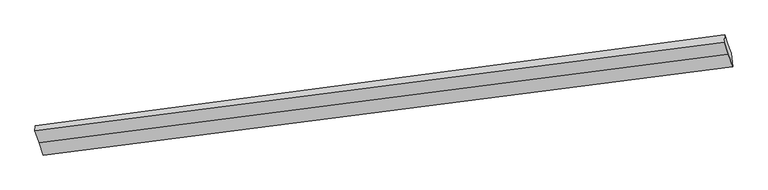
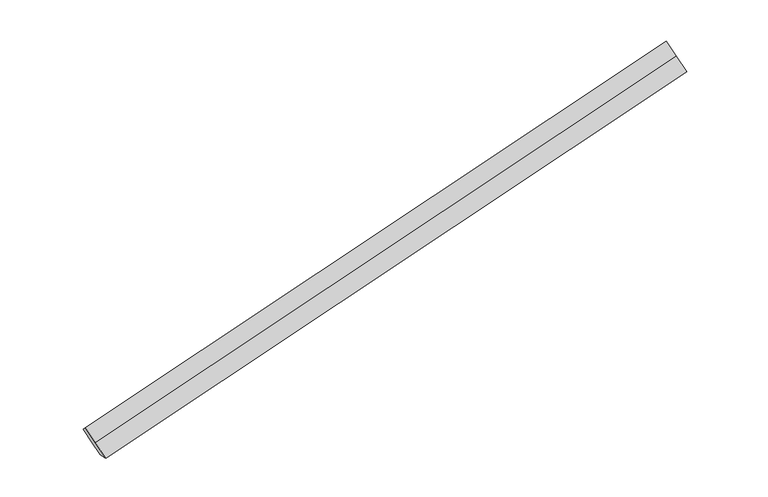
"""IFC4 building model written with IfcOpenShell, lengths in millimetres: proxy geometry."""

from ifc_helpers import new_model, si_unit, frame, origin, place, context, project, spatial, source, transform, mapped, element, save
from ifc_brep_helpers import plane_surface, spline_surface, advanced_brep


def generic_models_271a27ce(model_context):
    return source(origin(), model_context, "Body", "AdvancedBrep", [
        advanced_brep(
        [(-7472.8972487, -2153.8060966, 921.7112471), (-7416.3015261, -2317.7215473, 764.1221903), (1811.5167285, -1133.5976225, 2824.1893568), (1754.9210059, -969.6821717, 2981.7784136), (-7427.8578094, -2203.9627518, 747.8941283), (1792.5785738, -958.4721815, 2804.4077917), (-7475.824092, -2065.0403302, 881.4547736), (1749.7232807, -834.3524716, 2923.737043), (-7523.7903746, -1926.1179086, 1015.0154189), (1706.8679877, -710.2327616, 3043.0662944), (-7529.4929713, -1989.8906458, 1079.3003038), (1698.3252833, -805.766721, 3139.3674703)],
        [
            (0, 1),
            (1, 2),
            (2, 3),
            (3, 0),
            (1, 4),
            (4, 5),
            (5, 2),
            (4, 6),
            (6, 7),
            (7, 5),
            (6, 8),
            (8, 9),
            (9, 7),
            (8, 10),
            (10, 11),
            (11, 9),
            (10, 0),
            (3, 11),
        ],
        [
            plane_surface(frame((-7444.5993874, -2235.763822, 842.9167187), z_axis=(-0.067660601835311, -0.7035120535096488, 0.7074551812842429), x_axis=(0.24153220413507956, -0.6995380268893939, -0.6725390273443943))),
            spline_surface(1, 1, [[(-7416.3015261, -2317.7215473, 764.1221903), (1811.5167285, -1133.5976225, 2824.1893568)], [(-7427.8578094, -2203.9627518, 747.8941283), (1792.5785738, -958.4721815, 2804.4077917)]], [2, 2], [2, 2], [0.0, 1.0], [0.0, 1.0]),
            plane_surface(frame((-7451.8409507, -2134.501541, 814.6744509), z_axis=(0.06306928069406885, 0.7029096239155692, -0.7084774706648094), x_axis=(-0.2415322041349135, 0.6995380268894971, 0.6725390273443466))),
            plane_surface(frame((-7499.8072333, -1995.5791194, 948.2350962), z_axis=(0.06306928069404721, 0.7029096239156332, -0.708477470664748), x_axis=(-0.24153220413515697, 0.6995380268894014, 0.6725390273443588))),
            plane_surface(frame((-7526.641673, -1958.0042772, 1047.1578613), z_axis=(-0.24000753063137792, 0.6997400121541448, 0.6728746544719494), x_axis=(-0.06285201954060318, -0.7028807299501775, 0.7085254428066597))),
            plane_surface(frame((-7501.19511, -2071.8483712, 1000.5057754), z_axis=(-0.06766060183533561, -0.7035120535095769, 0.7074551812843117), x_axis=(0.2415322041351442, -0.6995380268894569, -0.6725390273443056))),
            plane_surface(frame((1752.3221433, -902.0173217, 2952.7577283), z_axis=(0.9683552127217062, 0.12886127579843334, 0.21373570968441188), x_axis=(-0.06285201954060318, -0.7028807299501775, 0.7085254428066597))),
            plane_surface(frame((-7474.3606704, -2109.4232134, 901.5830103), z_axis=(-0.9683552127217089, -0.12886127579846157, -0.2137357096843835), x_axis=(-0.2415322041351119, 0.6995380268894255, 0.6725390273443499))),
        ],
        [
            (0, [[1, 2, 3, 4]]),
            (1, [[5, 6, 7, -2]]),
            (2, [[8, 9, 10, -6]]),
            (3, [[11, 12, 13, -9]]),
            (4, [[14, 15, 16, -12]]),
            (5, [[17, -4, 18, -15]]),
            (6, [[-16, -18, -3, -7, -10, -13]]),
            (7, [[-17, -14, -11, -8, -5, -1]]),
        ],
    ),
    ])


if __name__ == "__main__":
    model = new_model("IFC4")
    model_context = context("Model", 3, world=origin())
    ifc_project = project(units=[si_unit("LENGTHUNIT", "METRE", prefix="MILLI")], contexts=[model_context])
    site = spatial("IfcSite", under=ifc_project)
    building = spatial("IfcBuilding", under=site)
    placement = place(None, origin())
    generic_models_shape = generic_models_271a27ce(model_context)
    element("IfcBuildingElementProxy", 1, Name="Generic Models", at=placement, inside=building, context=model_context, shape_type="MappedRepresentation", body=[
        mapped(generic_models_shape, transform((0.0, 0.0, 0.0), x_axis=(1.0, 0.0, 0.0), y_axis=(0.0, 1.0, 0.0), z_axis=(0.0, 0.0, 1.0))),
    ])
    save(model, "model.ifc")
